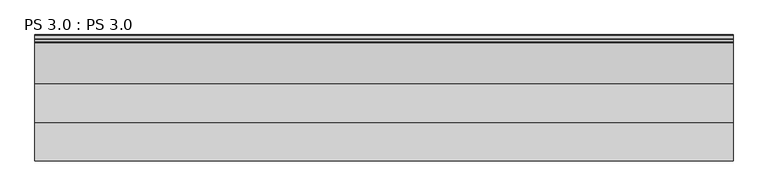
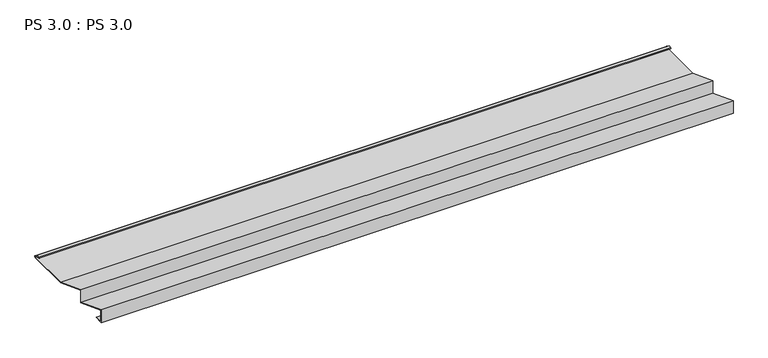
"""IFC4 building model written with IfcOpenShell, lengths in millimetres: proxy geometry, PS 3.0 : PS 3.0."""

from ifc_helpers import new_model, si_unit, point, frame, frame_2d, origin, place, context, project, spatial, polyline, circle_curve, trimmed, segment, composite_curve, outline, extrude, source, transform, mapped, element, save


def ps_3_0_ps_3_0_cba7cded(model_context):
    return source(origin(), model_context, "Body", "SweptSolid", [
        extrude(outline(composite_curve([segment(polyline([(0.0, 0.0), (0.0, 38.0), (100.0, 0.0), (100.0, 38.0), (200.0, 0.0), (325.0510156, 0.0)]), True, "CONTINUOUS"), segment(trimmed(circle_curve(frame_2d((324.3094696, 1.9153551)), 2.0538928), [point((325.0510156, 0.0))], [point((325.1748462, 3.778041))], True, "CARTESIAN"), True, "CONTINUOUS"), segment(polyline([(325.1748462, 3.778041), (308.7874714, 6.923107)]), True, "CONTINUOUS"), segment(trimmed(circle_curve(frame_2d((309.4078886, 8.6005442)), 1.7884947), [point((308.7874714, 6.923107))], [point((308.9525789, 10.3301125))], False, "CARTESIAN"), True, "CONTINUOUS"), segment(polyline([(308.9525789, 10.3301125), (316.459338, 11.6715995), (316.635255, 10.6871945), (309.1762081, 9.3542338)]), True, "CONTINUOUS"), segment(trimmed(circle_curve(frame_2d((309.4078886, 8.6005442)), 0.7884947), [point((309.1762081, 9.3542338))], [point((309.0735117, 7.8864603))], True, "CARTESIAN"), True, "CONTINUOUS"), segment(polyline([(309.0735117, 7.8864603), (325.4722719, 4.7392091)]), True, "CONTINUOUS"), segment(trimmed(circle_curve(frame_2d((324.3094696, 1.9153551)), 3.0538928), [point((325.4722719, 4.7392091))], [point((325.2188462, -1.0))], False, "CARTESIAN"), True, "CONTINUOUS"), segment(polyline([(325.2188462, -1.0), (199.8164044, -1.0), (101.0, 36.5502337), (101.0, -1.4497663), (1.0, 36.5502337), (1.0, 1.0), (25.0, 1.0), (25.0, 0.0), (0.0, 0.0)]), True, "CONTINUOUS")], self_intersect=False)), frame((0.0, 0.0, 0.0), z_axis=(1.0, 0.0, 0.0), x_axis=(0.0, 1.0, 0.0)), (0.0, 0.0, 1.0), 1805.6641938),
    ])


if __name__ == "__main__":
    model = new_model("IFC4")
    model_context = context("Model", 3, world=origin())
    ifc_project = project(units=[si_unit("LENGTHUNIT", "METRE", prefix="MILLI")], contexts=[model_context])
    site = spatial("IfcSite", under=ifc_project)
    building = spatial("IfcBuilding", under=site)
    placement = place(None, origin())
    ps_3_0_ps_3_0_shape = ps_3_0_ps_3_0_cba7cded(model_context)
    element("IfcBuildingElementProxy", 1, Name="PS 3.0 : PS 3.0", ObjectType="PS 3.0 : PS 3.0", at=placement, inside=building, context=model_context, shape_type="MappedRepresentation", body=[
        mapped(ps_3_0_ps_3_0_shape, transform((0.0, 0.0, 0.0), x_axis=(1.0, 0.0, 0.0), y_axis=(0.0, 1.0, 0.0), z_axis=(0.0, 0.0, 1.0))),
    ])
    save(model, "model.ifc")
